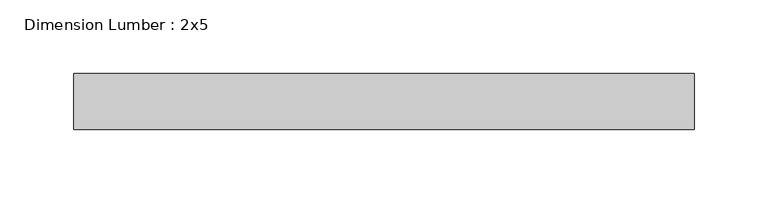
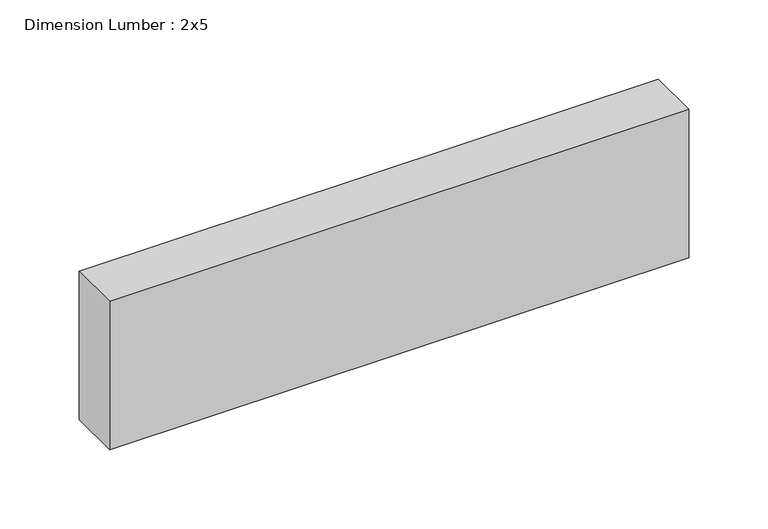
"""IFC4 building model written with IfcOpenShell, lengths in millimetres: beam geometry, Dimension Lumber : 2x5."""

from ifc_helpers import new_model, si_unit, frame, origin, place, context, project, spatial, polyline, outline, extrude, source, transform, mapped, element, save


def dimension_lumber_2x5_d21d3ec8(model_context):
    return source(origin(), model_context, "Body", "SweptSolid", [
        extrude(outline(polyline([(212.918167, 19.05), (212.918167, -19.05), (-208.8236724, -19.05), (-208.8236724, 19.05), (212.918167, 19.05)])), frame((0.0, 0.0, -57.15), z_axis=(0.0, 0.0, 1.0), x_axis=(1.0, 0.0, 0.0)), (0.0, 0.0, 1.0), 114.3),
    ])


if __name__ == "__main__":
    model = new_model("IFC4")
    model_context = context("Model", 3, world=origin())
    ifc_project = project(units=[si_unit("LENGTHUNIT", "METRE", prefix="MILLI")], contexts=[model_context])
    site = spatial("IfcSite", under=ifc_project)
    building = spatial("IfcBuilding", under=site)
    placement = place(None, origin())
    dimension_lumber_2x5_shape = dimension_lumber_2x5_d21d3ec8(model_context)
    element("IfcBeam", 1, ObjectType="Dimension Lumber : 2x5", at=placement, inside=building, context=model_context, shape_type="MappedRepresentation", body=[
        mapped(dimension_lumber_2x5_shape, transform((0.0, 0.0, 0.0), x_axis=(1.0, 0.0, 0.0), y_axis=(0.0, 1.0, 0.0), z_axis=(0.0, 0.0, 1.0))),
    ])
    save(model, "model.ifc")
